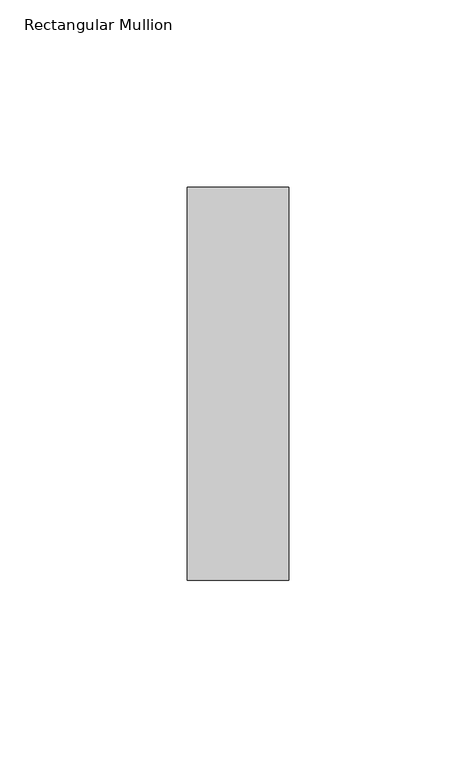
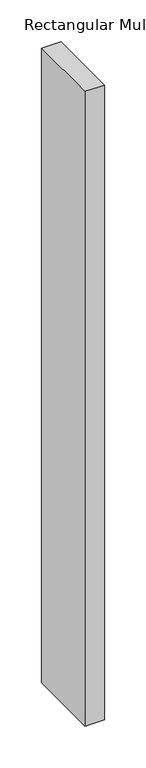
"""IFC4 building model written with IfcOpenShell, lengths in millimetres: member geometry, Rectangular Mullion."""

from ifc_helpers import new_model, si_unit, frame, origin, place, context, project, spatial, polyline, outline, extrude, source, transform, mapped, element, save


def rectangular_mullion_cf2ff8b4(model_context):
    return source(origin(), model_context, "Body", "SweptSolid", [
        extrude(outline(polyline([(0.0, 52.3975), (0.0, -52.3975), (-27.0, -52.3975), (-27.0, 52.3975), (0.0, 52.3975)])), frame((0.0, 0.0, -930.5), z_axis=(0.0, 0.0, 1.0), x_axis=(1.0, 0.0, 0.0)), (0.0, 0.0, 1.0), 930.5),
    ])


if __name__ == "__main__":
    model = new_model("IFC4")
    model_context = context("Model", 3, world=origin())
    ifc_project = project(units=[si_unit("LENGTHUNIT", "METRE", prefix="MILLI")], contexts=[model_context])
    site = spatial("IfcSite", under=ifc_project)
    building = spatial("IfcBuilding", under=site)
    placement = place(None, origin())
    rectangular_mullion_shape = rectangular_mullion_cf2ff8b4(model_context)
    element("IfcMember", 1, ObjectType="Rectangular Mullion", at=placement, inside=building, context=model_context, shape_type="MappedRepresentation", body=[
        mapped(rectangular_mullion_shape, transform((0.0, 0.0, 0.0), x_axis=(1.0, 0.0, 0.0), y_axis=(0.0, 1.0, 0.0), z_axis=(0.0, 0.0, 1.0))),
    ])
    save(model, "model.ifc")
